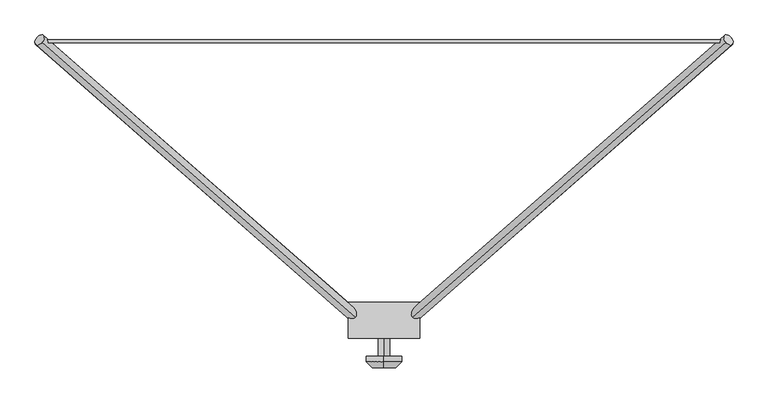
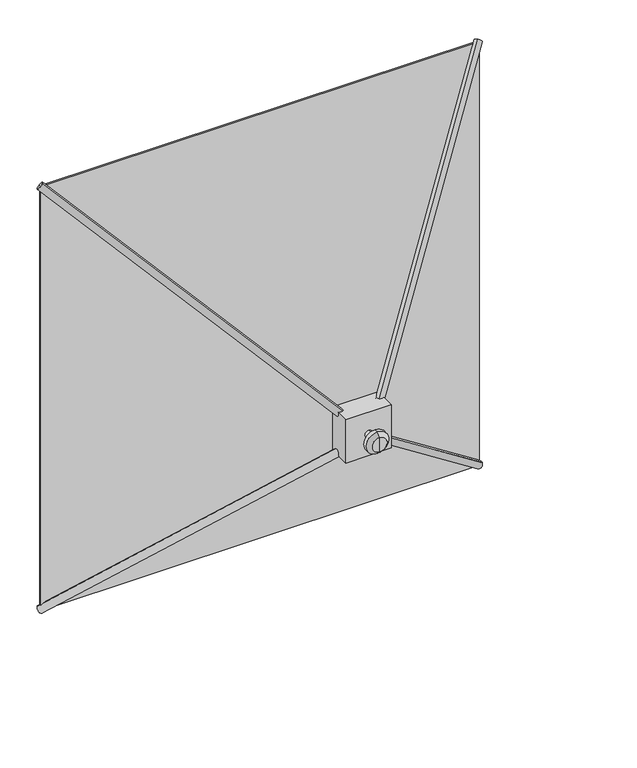
"""IFC4 building model written with IfcOpenShell, lengths in millimetres: plate geometry."""

from ifc_helpers import new_model, si_unit, point, frame, frame_2d, origin, origin_with_axes, origin_2d, place, context, project, spatial, polyline, circle_curve, trimmed, segment, composite_curve, outline, extrude, source, transform, mapped, element, save
from ifc_brep_helpers import plane_surface, cylinder_surface, revolved_surface, advanced_brep


def plate_e7c80f21(model_context):
    return source(origin(), model_context, "Body", "SolidModel", [
        advanced_brep(
        [(0.0, -685.8, 711.2), (0.0, -673.1, 711.2), (0.0, -673.1, 787.4), (0.0, -685.8, 787.4), (0.0, -698.5, 723.9), (0.0, -698.5, 774.7), (0.0, -698.5, 749.3), (0.0, -673.1, 749.3)],
        [
            (0, 1),
            (1, 2, circle_curve(frame((0.0, -673.1, 749.3), z_axis=(0.0, -1.0, 0.0), x_axis=(0.0, 0.0, 1.0)), 38.1)),
            (2, 3),
            (3, 0, circle_curve(frame((0.0, -685.8, 749.3), z_axis=(0.0, 1.0, 0.0), x_axis=(0.0, 0.0, 1.0)), 38.1)),
            (2, 1, circle_curve(frame((0.0, -673.1, 749.3), z_axis=(0.0, -1.0, 0.0), x_axis=(0.0, 0.0, 1.0)), 38.1)),
            (0, 3, circle_curve(frame((0.0, -685.8, 749.3), z_axis=(0.0, 1.0, 0.0), x_axis=(0.0, 0.0, 1.0)), 38.1)),
            (4, 0),
            (3, 5),
            (5, 4, circle_curve(frame((0.0, -698.5, 749.3), z_axis=(0.0, 1.0, 0.0), x_axis=(0.0, 0.0, 1.0)), 25.4)),
            (4, 5, circle_curve(frame((0.0, -698.5, 749.3), z_axis=(0.0, 1.0, 0.0), x_axis=(0.0, 0.0, 1.0)), 25.4)),
            (6, 4),
            (5, 6),
            (1, 7),
            (7, 2),
        ],
        [
            cylinder_surface(frame((0.0, -3218.6581012, 749.3), z_axis=(0.0, -1.0, 0.0), x_axis=(0.0, 0.0, 1.0)), 38.1),
            revolved_surface(polyline([(0.0, -685.8, 787.4), (0.0, -698.5, 774.7)]), (0.0, -3218.6581012, 749.3), (0.0, -1.0, 0.0)),
            plane_surface(frame((0.0, -698.5, 749.3), z_axis=(0.0, -1.0, 0.0), x_axis=(0.0, 0.0, 1.0))),
            plane_surface(frame((0.0, -673.1, 749.3), z_axis=(0.0, 1.0, 0.0), x_axis=(0.0, 0.0, 1.0))),
        ],
        [
            (0, [[1, 2, 3, 4]]),
            (0, [[-3, 5, -1, 6]]),
            (1, [[7, -4, 8, 9]]),
            (1, [[-8, -6, -7, 10]]),
            (2, [[11, -9, 12]]),
            (2, [[-12, -10, -11]]),
            (3, [[13, 14, -2]]),
            (3, [[-14, -13, -5]]),
        ],
    ),
        extrude(outline(composite_curve([segment(trimmed(circle_curve(frame_2d((749.3, 0.0)), 12.7), [point((736.6, 0.0))], [point((762.0, 0.0))], False, "CARTESIAN"), True, "CONTINUOUS"), segment(trimmed(circle_curve(frame_2d((749.3, 0.0)), 12.7), [point((762.0, 0.0))], [point((736.6, 0.0))], False, "CARTESIAN"), True, "CONTINUOUS")], self_intersect=False)), frame((0.0, -673.1, 0.0), z_axis=(0.0, 1.0, 0.0), x_axis=(0.0, 0.0, 1.0)), (0.0, 0.0, 1.0), 38.1),
        extrude(outline(polyline([(-76.2, -635.0), (-76.2, -558.8), (76.2, -558.8), (76.2, -635.0), (-76.2, -635.0)])), frame((0.0, 0.0, 673.1), z_axis=(0.0, 0.0, 1.0), x_axis=(1.0, 0.0, 0.0)), (0.0, 0.0, 1.0), 152.4),
        extrude(outline(composite_curve([segment(trimmed(circle_curve(origin_2d(), 12.7), [point((0.0, 12.7))], [point((0.0, -12.7))], False, "CARTESIAN"), True, "CONTINUOUS"), segment(trimmed(circle_curve(origin_2d(), 12.7), [point((0.0, -12.7))], [point((0.0, 12.7))], False, "CARTESIAN"), True, "CONTINUOUS")], self_intersect=False)), frame((38.1, -609.6, 787.4), z_axis=(0.5960402965667899, 0.52255587638485, 0.6096485224489883), x_axis=(-0.6592335393186455, 0.7519382558677353, 0.0)), (0.0, 0.0, 1.0), 1166.5738107),
        extrude(outline(composite_curve([segment(trimmed(circle_curve(origin_2d(), 12.7), [point((0.0, -12.7))], [point((0.0, 12.7))], False, "CARTESIAN"), True, "CONTINUOUS"), segment(trimmed(circle_curve(origin_2d(), 12.7), [point((0.0, 12.7))], [point((0.0, -12.7))], False, "CARTESIAN"), True, "CONTINUOUS")], self_intersect=False)), frame((733.4250001, 0.0, 0.0), z_axis=(-0.5960402965667877, -0.5225558763848479, 0.6096485224489923), x_axis=(0.0, 0.7592566023652982, 0.6507913734559666)), (0.0, 0.0, 1.0), 1166.5738107),
        extrude(outline(composite_curve([segment(trimmed(circle_curve(origin_2d(), 12.7), [point((0.0, -12.7))], [point((0.0, 12.7))], False, "CARTESIAN"), True, "CONTINUOUS"), segment(trimmed(circle_curve(origin_2d(), 12.7), [point((0.0, 12.7))], [point((0.0, -12.7))], False, "CARTESIAN"), True, "CONTINUOUS")], self_intersect=False)), frame((-733.4250001, 0.0, 0.0), z_axis=(0.5960402965667864, -0.5225558763848485, 0.609648522448993), x_axis=(0.6592335393186467, 0.7519382558677344, 0.0)), (0.0, 0.0, 1.0), 1166.5738107),
        extrude(outline(composite_curve([segment(trimmed(circle_curve(origin_2d(), 12.7), [point((0.0, -12.7))], [point((0.0, 12.7))], False, "CARTESIAN"), True, "CONTINUOUS"), segment(trimmed(circle_curve(origin_2d(), 12.7), [point((0.0, 12.7))], [point((0.0, -12.7))], False, "CARTESIAN"), True, "CONTINUOUS")], self_intersect=False)), frame((-38.1, -609.6, 787.4), z_axis=(-0.5960402965667888, 0.5225558763848506, 0.6096485224489889), x_axis=(0.6592335393186466, 0.7519382558677344, 0.0)), (0.0, 0.0, 1.0), 1166.5738107),
        extrude(outline(polyline([(733.4250001, -6.35), (-733.4250001, -6.35), (-733.4250001, 0.0), (733.4250001, 0.0), (733.4250001, -6.35)])), origin_with_axes(), (0.0, 0.0, 1.0), 1498.6),
    ])


if __name__ == "__main__":
    model = new_model("IFC4")
    model_context = context("Model", 3, world=origin())
    ifc_project = project(units=[si_unit("LENGTHUNIT", "METRE", prefix="MILLI")], contexts=[model_context])
    site = spatial("IfcSite", under=ifc_project)
    building = spatial("IfcBuilding", under=site)
    placement = place(None, origin())
    plate_shape = plate_e7c80f21(model_context)
    element("IfcPlate", 1, at=placement, inside=building, context=model_context, shape_type="MappedRepresentation", body=[
        mapped(plate_shape, transform((0.0, 0.0, 0.0), x_axis=(1.0, 0.0, 0.0), y_axis=(0.0, 1.0, 0.0), z_axis=(0.0, 0.0, 1.0))),
    ])
    save(model, "model.ifc")
